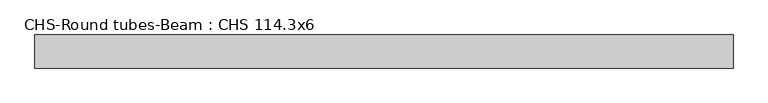
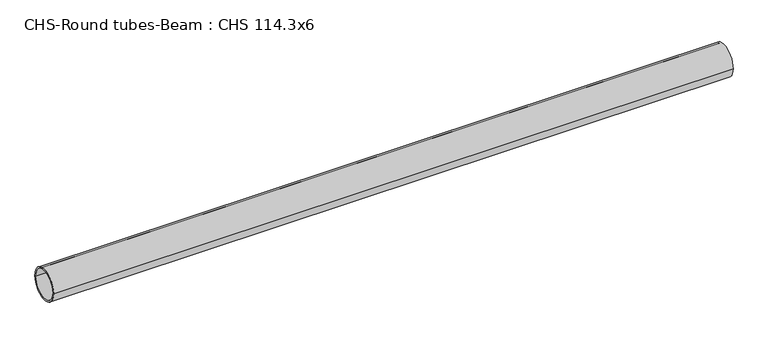
"""IFC4 building model written with IfcOpenShell, lengths in millimetres: beam geometry, CHS-Round tubes-Beam : CHS 114.3x6."""

from ifc_helpers import new_model, si_unit, point, frame, origin, origin_2d, place, context, project, spatial, circle_curve, trimmed, segment, composite_curve, outline, extrude, source, transform, mapped, element, save


def chs_round_tubes_beam_chs_114_3x6_3b70f8da(model_context):
    return source(origin(), model_context, "Body", "SweptSolid", [
        extrude(outline(composite_curve([segment(trimmed(circle_curve(origin_2d(), 57.15), [point((57.15, 0.0))], [point((-57.15, 0.0))], False, "CARTESIAN"), True, "CONTINUOUS"), segment(trimmed(circle_curve(origin_2d(), 57.15), [point((-57.15, 0.0))], [point((57.15, 0.0))], False, "CARTESIAN"), True, "CONTINUOUS")], self_intersect=False), holes=[composite_curve([segment(trimmed(circle_curve(origin_2d(), 51.15), [point((51.15, 0.0))], [point((-51.15, 0.0))], True, "CARTESIAN"), True, "CONTINUOUS"), segment(trimmed(circle_curve(origin_2d(), 51.15), [point((-51.15, 0.0))], [point((51.15, 0.0))], True, "CARTESIAN"), True, "CONTINUOUS")], self_intersect=False)]), frame((-1155.6915559, 0.0, 0.0), z_axis=(1.0, 0.0, 0.0), x_axis=(0.0, 1.0, 0.0)), (0.0, 0.0, 1.0), 2408.8078806),
    ])


if __name__ == "__main__":
    model = new_model("IFC4")
    model_context = context("Model", 3, world=origin())
    ifc_project = project(units=[si_unit("LENGTHUNIT", "METRE", prefix="MILLI")], contexts=[model_context])
    site = spatial("IfcSite", under=ifc_project)
    building = spatial("IfcBuilding", under=site)
    placement = place(None, origin())
    chs_round_tubes_beam_chs_114_3x6_shape = chs_round_tubes_beam_chs_114_3x6_3b70f8da(model_context)
    element("IfcBeam", 1, ObjectType="CHS-Round tubes-Beam : CHS 114.3x6", at=placement, inside=building, context=model_context, shape_type="MappedRepresentation", body=[
        mapped(chs_round_tubes_beam_chs_114_3x6_shape, transform((0.0, 0.0, 0.0), x_axis=(1.0, 0.0, 0.0), y_axis=(0.0, 1.0, 0.0), z_axis=(0.0, 0.0, 1.0))),
    ])
    save(model, "model.ifc")
